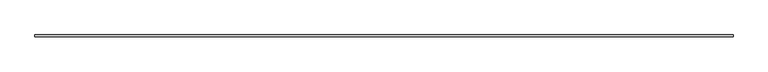
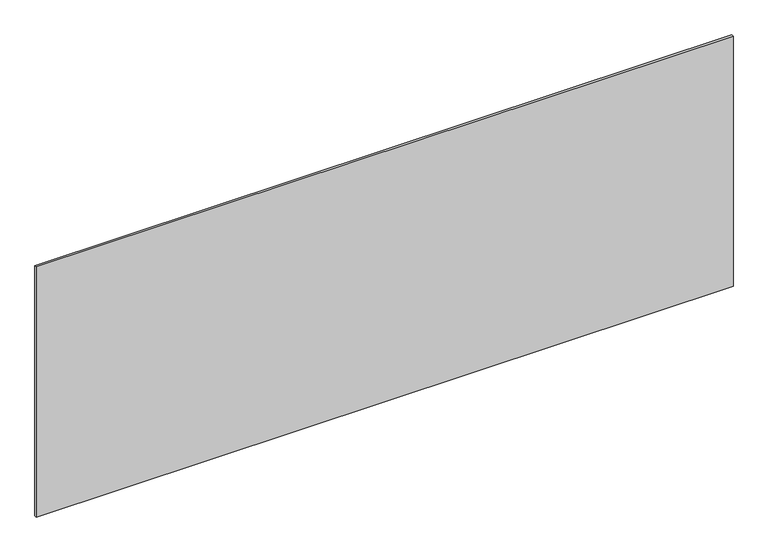
"""IFC4 building model written with IfcOpenShell, lengths in millimetres: plate geometry."""

from ifc_helpers import new_model, si_unit, origin, origin_with_axes, place, context, project, spatial, polyline, outline, extrude, source, transform, mapped, element, save


def plate_7301dfc9(model_context):
    return source(origin(), model_context, "Body", "SweptSolid", [
        extrude(outline(polyline([(1697.5, -5.0), (-1697.5, -5.0), (-1697.5, 5.0), (1697.5, 5.0), (1697.5, -5.0)])), origin_with_axes(), (0.0, 0.0, 1.0), 1288.1660768),
    ])


if __name__ == "__main__":
    model = new_model("IFC4")
    model_context = context("Model", 3, world=origin())
    ifc_project = project(units=[si_unit("LENGTHUNIT", "METRE", prefix="MILLI")], contexts=[model_context])
    site = spatial("IfcSite", under=ifc_project)
    building = spatial("IfcBuilding", under=site)
    placement = place(None, origin())
    plate_shape = plate_7301dfc9(model_context)
    element("IfcPlate", 1, at=placement, inside=building, context=model_context, shape_type="MappedRepresentation", body=[
        mapped(plate_shape, transform((0.0, 0.0, 0.0), x_axis=(1.0, 0.0, 0.0), y_axis=(0.0, 1.0, 0.0), z_axis=(0.0, 0.0, 1.0))),
    ])
    save(model, "model.ifc")
